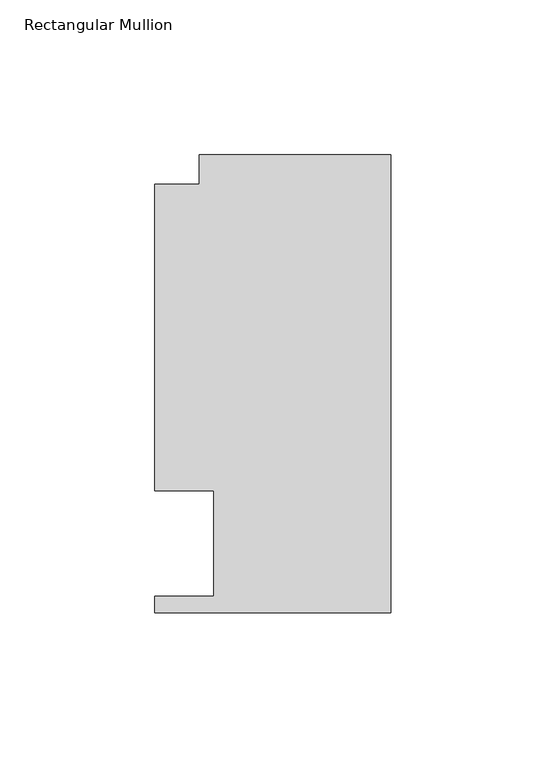
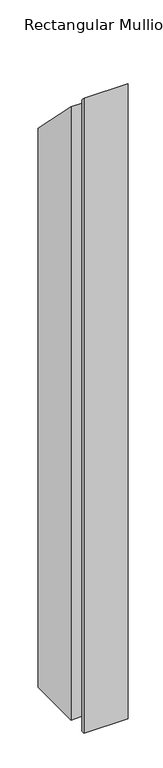
"""IFC4 building model written with IfcOpenShell, lengths in millimetres: member geometry, Rectangular Mullion."""

from ifc_helpers import new_model, si_unit, origin, place, context, project, spatial, faceted_brep, source, transform, mapped, element, save


def rectangular_mullion_65567e19(model_context):
    return source(origin(), model_context, "Body", "Brep", [
        faceted_brep([(-61.9124999, 147.847839, -1161.0538437), (0.0, 147.847839, -1161.0538437), (0.0, 0.019839, -1161.0538437), (-76.2, 0.019839, -1161.0538437), (-76.2, 5.353839, -1161.0538437), (-57.1499999, 5.353839, -1161.0538437), (-57.1499999, 39.3898438, -1161.0538437), (-76.1999999, 39.3898438, -1161.0538437), (-76.1999999, 138.322839, -1161.0538437), (-61.9124999, 138.322839, -1161.0538437), (-61.9124999, 138.322839, -138.322839), (-61.9124999, 147.847839, -147.847839), (-76.1999999, 138.322839, -138.322839), (-76.1999999, 39.3898438, -39.3898437), (-57.1499999, 39.3898438, -39.3898437), (-57.1499999, 5.353839, -5.353839), (-76.2, 5.353839, -5.353839), (-76.2, 0.019839, -0.019839), (0.0, 0.019839, -0.019839), (0.0, 147.847839, -147.847839)], [[[0, 1, 2, 3, 4, 5, 6, 7, 8, 9]], [[10, 11, 0, 9]], [[12, 10, 9, 8]], [[13, 12, 8, 7]], [[14, 13, 7, 6]], [[15, 14, 6, 5]], [[16, 15, 5, 4]], [[17, 16, 4, 3]], [[18, 17, 3, 2]], [[19, 18, 2, 1]], [[11, 19, 1, 0]], [[11, 10, 12, 13, 14, 15, 16, 17, 18, 19]]]),
    ])


if __name__ == "__main__":
    model = new_model("IFC4")
    model_context = context("Model", 3, world=origin())
    ifc_project = project(units=[si_unit("LENGTHUNIT", "METRE", prefix="MILLI")], contexts=[model_context])
    site = spatial("IfcSite", under=ifc_project)
    building = spatial("IfcBuilding", under=site)
    placement = place(None, origin())
    rectangular_mullion_shape = rectangular_mullion_65567e19(model_context)
    element("IfcMember", 1, ObjectType="Rectangular Mullion", at=placement, inside=building, context=model_context, shape_type="MappedRepresentation", body=[
        mapped(rectangular_mullion_shape, transform((0.0, 0.0, 0.0), x_axis=(1.0, 0.0, 0.0), y_axis=(0.0, 1.0, 0.0), z_axis=(0.0, 0.0, 1.0))),
    ])
    save(model, "model.ifc")
